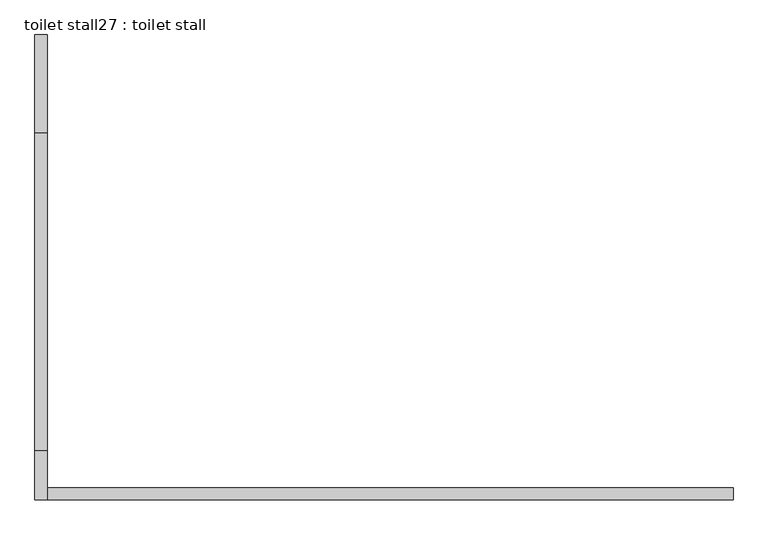
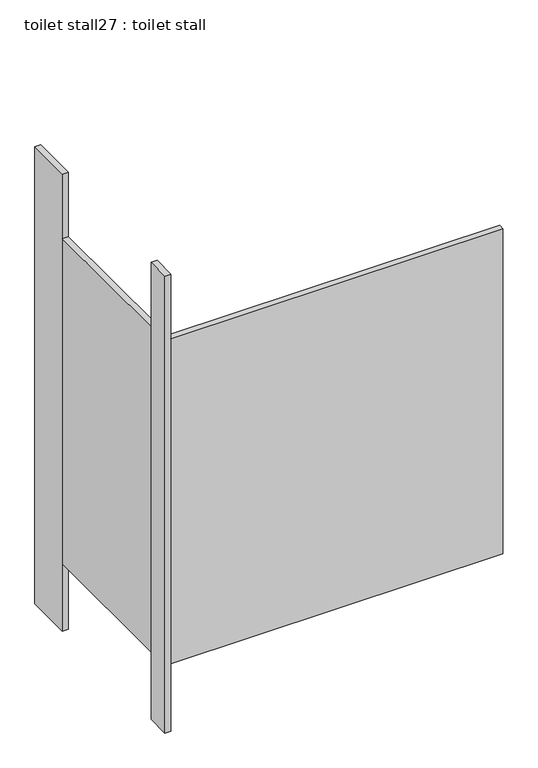
"""IFC4 building model written with IfcOpenShell, lengths in millimetres: proxy geometry, toilet stall27 : toilet stall."""

from ifc_helpers import new_model, si_unit, frame, origin, origin_with_axes, place, context, project, spatial, polyline, outline, extrude, source, transform, mapped, element, save


def toilet_stall27_toilet_stall_9a9feba4(model_context):
    return source(origin(), model_context, "Body", "SweptSolid", [
        extrude(outline(polyline([(454658.2004676, -336155.5205223), (454632.8004676, -336155.5205223), (454632.8004676, -335952.3205223), (454658.2004676, -335952.3205223), (454658.2004676, -336155.5205223)])), origin_with_axes(), (0.0, 0.0, 1.0), 2070.1),
        extrude(outline(polyline([(454658.2004676, -336917.5205223), (454632.8004676, -336917.5205223), (454632.8004676, -336815.9205223), (454658.2004676, -336815.9205223), (454658.2004676, -336917.5205223)])), origin_with_axes(), (0.0, 0.0, 1.0), 2070.1),
        extrude(outline(polyline([(454658.2004676, -336917.5205223), (454658.2004676, -336892.1205223), (456080.6004676, -336892.1205223), (456080.6004676, -336917.5205223), (454658.2004676, -336917.5205223)])), frame((0.0, 0.0, 304.8), z_axis=(0.0, 0.0, 1.0), x_axis=(1.0, 0.0, 0.0)), (0.0, 0.0, 1.0), 1473.2),
        extrude(outline(polyline([(454658.2004676, -336815.9205223), (454632.8004676, -336815.9205223), (454632.8004676, -336155.5205223), (454658.2004676, -336155.5205223), (454658.2004676, -336815.9205223)])), frame((0.0, 0.0, 304.8), z_axis=(0.0, 0.0, 1.0), x_axis=(1.0, 0.0, 0.0)), (0.0, 0.0, 1.0), 1473.2),
    ])


if __name__ == "__main__":
    model = new_model("IFC4")
    model_context = context("Model", 3, world=origin())
    ifc_project = project(units=[si_unit("LENGTHUNIT", "METRE", prefix="MILLI")], contexts=[model_context])
    site = spatial("IfcSite", under=ifc_project)
    building = spatial("IfcBuilding", under=site)
    placement = place(None, origin())
    toilet_stall27_toilet_stall_shape = toilet_stall27_toilet_stall_9a9feba4(model_context)
    element("IfcBuildingElementProxy", 1, Name="toilet stall27 : toilet stall", ObjectType="toilet stall27 : toilet stall", at=placement, inside=building, context=model_context, shape_type="MappedRepresentation", body=[
        mapped(toilet_stall27_toilet_stall_shape, transform((0.0, 0.0, 0.0), x_axis=(1.0, 0.0, 0.0), y_axis=(0.0, 1.0, 0.0), z_axis=(0.0, 0.0, 1.0))),
    ])
    save(model, "model.ifc")
